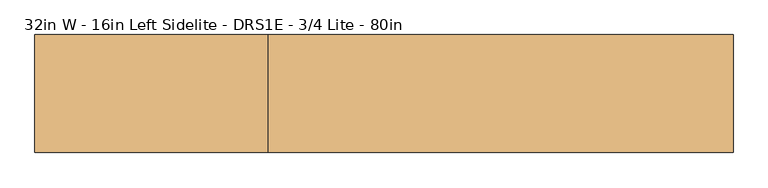
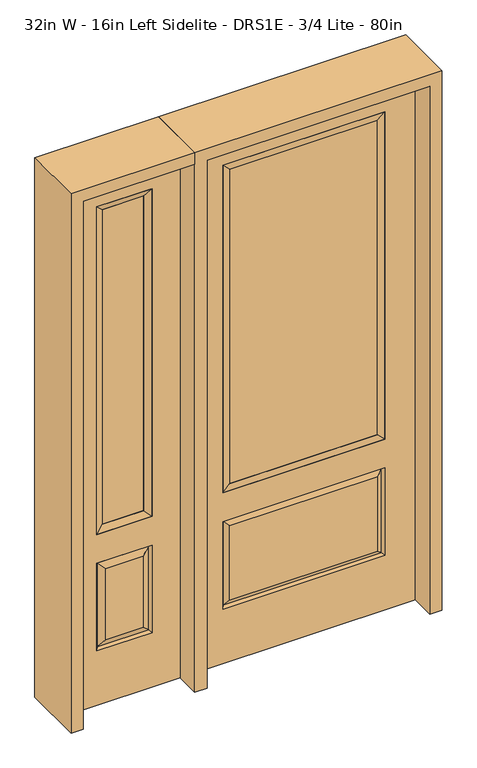
"""IFC4 building model written with IfcOpenShell, lengths in millimetres: door geometry, 32in W - 16in Left Sidelite - DRS1E - 3/4 Lite - 80in."""

from ifc_helpers import new_model, si_unit, frame, origin, place, context, project, spatial, polyline, outline, extrude, faceted_brep, source, transform, mapped, element, save


def door_32in_w_16in_left_sidelite_drs1e_3_4_lite_80in_52a5605d(model_context):
    return source(origin(), model_context, "Body", "SolidModel", [
        faceted_brep([(-857.25, -22.225, 0.0), (-450.85, -22.225, 0.0), (-450.85, -22.225, 2032.0), (-857.25, -22.225, 2032.0), (-553.72, -22.225, 1919.224), (-553.72, -22.225, 657.098), (-754.38, -22.225, 657.098), (-754.38, -22.225, 1919.224), (-553.72, -22.225, 209.55), (-754.38, -22.225, 209.55), (-754.38, -22.225, 546.1), (-553.72, -22.225, 546.1), (-722.6648999, -22.225, 241.2651001), (-585.4351001, -22.225, 241.2651001), (-585.4351001, -22.225, 514.3848999), (-722.6648999, -22.225, 514.3848999), (-857.25, 22.225, 0.0), (-857.25, 22.225, 2032.0), (-450.85, 22.225, 2032.0), (-450.85, 22.225, 0.0), (-553.72, 22.225, 1919.224), (-754.38, 22.225, 1919.224), (-754.38, 22.225, 657.098), (-553.72, 22.225, 657.098), (-754.38, 22.225, 209.55), (-553.72, 22.225, 209.55), (-553.72, 22.225, 546.1), (-754.38, 22.225, 546.1), (-585.4351001, 22.225, 241.2651001), (-722.6648999, 22.225, 241.2651001), (-722.6648999, 22.225, 514.3848999), (-585.4351001, 22.225, 514.3848999), (-560.8288501, 12.7912373, 216.6588501), (-747.2711499, 12.7912373, 216.6588501), (-747.2711499, 12.7912373, 538.9911499), (-560.8288501, 12.7912373, 538.9911499), (-747.2711499, -12.7912373, 216.6588501), (-560.8288501, -12.7912373, 216.6588501), (-747.2711499, -12.7912373, 538.9911499), (-560.8288501, -12.7912373, 538.9911499)], [[[0, 1, 2, 3], [4, 5, 6, 7], [8, 9, 10, 11]], [[12, 13, 14, 15]], [[16, 17, 18, 19], [20, 21, 22, 23], [24, 25, 26, 27]], [[28, 29, 30, 31]], [[1, 0, 16, 19]], [[2, 1, 19, 18]], [[3, 2, 18, 17]], [[0, 3, 17, 16]], [[5, 4, 20, 23]], [[6, 5, 23, 22]], [[7, 6, 22, 21]], [[4, 7, 21, 20]], [[32, 33, 29, 28]], [[33, 32, 25, 24]], [[29, 33, 34, 30]], [[33, 24, 27, 34]], [[30, 34, 35, 31]], [[34, 27, 26, 35]], [[32, 28, 31, 35]], [[25, 32, 35, 26]], [[12, 36, 37, 13]], [[37, 36, 9, 8]], [[36, 12, 15, 38]], [[9, 36, 38, 10]], [[38, 15, 14, 39]], [[10, 38, 39, 11]], [[13, 37, 39, 14]], [[37, 8, 11, 39]]]),
        faceted_brep([(-754.38, 22.225, 1919.224), (-754.38, -22.225, 1919.224), (-553.72, -22.225, 1919.224), (-553.72, 22.225, 1919.224), (-728.98, 12.7, 1893.824), (-579.12, 12.7, 1893.824), (-728.98, -12.7, 1893.824), (-579.12, -12.7, 1893.824), (-553.72, -22.225, 657.098), (-553.72, 22.225, 657.098), (-579.12, 12.7, 682.498), (-579.12, -12.7, 682.498), (-754.38, -22.225, 657.098), (-754.38, 22.225, 657.098), (-728.98, 12.7, 682.498), (-728.98, -12.7, 682.498)], [[[0, 1, 2, 3]], [[4, 0, 3, 5]], [[6, 4, 5, 7]], [[1, 6, 7, 2]], [[3, 2, 8, 9]], [[5, 3, 9, 10]], [[7, 5, 10, 11]], [[2, 7, 11, 8]], [[9, 8, 12, 13]], [[10, 9, 13, 14]], [[11, 10, 14, 15]], [[8, 11, 15, 12]], [[13, 12, 1, 0]], [[14, 13, 0, 4]], [[15, 14, 4, 6]], [[12, 15, 6, 1]]]),
        extrude(outline(polyline([(-579.12, -12.7), (-728.98, -12.7), (-728.98, 12.7), (-579.12, 12.7), (-579.12, -12.7)])), frame((0.0, 0.0, 682.498), z_axis=(0.0, 0.0, 1.0), x_axis=(1.0, 0.0, 0.0)), (0.0, 0.0, 1.0), 1211.326),
        faceted_brep([(-288.1661499, -12.7912373, 216.6588501), (288.1661499, -12.7912373, 216.6588501), (270.66875, -22.225, 234.15625), (-270.66875, -22.225, 234.15625), (-295.275, -22.225, 209.55), (295.275, -22.225, 209.55), (-288.1661499, -12.7912373, 538.9911499), (-295.275, -22.225, 546.1), (270.66875, -22.225, 521.49375), (-270.66875, -22.225, 521.49375), (406.4, -22.225, 2032.0), (-406.4, -22.225, 2032.0), (-406.4, -22.225, 0.0), (406.4, -22.225, 0.0), (295.275, -22.225, 546.1), (295.275, -22.225, 1917.7), (295.275, -22.225, 657.098), (-295.275, -22.225, 657.098), (-295.275, -22.225, 1917.7), (288.1661499, -12.7912373, 538.9911499), (-406.4, 22.225, 2032.0), (-406.4, 22.225, 0.0), (406.4, 22.225, 0.0), (406.4, 22.225, 2032.0), (295.275, 22.225, 1917.7), (295.275, 22.225, 657.098), (-295.275, 22.225, 657.098), (-295.275, 22.225, 1917.7), (-295.275, 22.225, 209.55), (295.275, 22.225, 209.55), (295.275, 22.225, 546.1), (-295.275, 22.225, 546.1), (270.66875, 22.225, 234.15625), (-270.66875, 22.225, 234.15625), (-270.66875, 22.225, 521.49375), (270.66875, 22.225, 521.49375), (-288.1661499, 12.7912373, 216.6588501), (288.1661499, 12.7912373, 216.6588501), (288.1661499, 12.7912373, 538.9911499), (-288.1661499, 12.7912373, 538.9911499)], [[[0, 1, 2, 3]], [[1, 0, 4, 5]], [[4, 0, 6, 7]], [[3, 2, 8, 9]], [[10, 11, 12, 13], [5, 4, 7, 14], [15, 16, 17, 18]], [[1, 5, 14, 19]], [[2, 1, 19, 8]], [[0, 3, 9, 6]], [[7, 6, 19, 14]], [[6, 9, 8, 19]], [[12, 11, 20, 21]], [[13, 12, 21, 22]], [[10, 13, 22, 23]], [[16, 15, 24, 25]], [[17, 16, 25, 26]], [[18, 17, 26, 27]], [[23, 22, 21, 20], [28, 29, 30, 31], [24, 27, 26, 25]], [[32, 33, 34, 35]], [[28, 36, 37, 29]], [[29, 37, 38, 30]], [[39, 31, 30, 38]], [[36, 28, 31, 39]], [[37, 36, 33, 32]], [[33, 36, 39, 34]], [[34, 39, 38, 35]], [[37, 32, 35, 38]], [[11, 10, 23, 20]], [[15, 18, 27, 24]]]),
        faceted_brep([(-295.275, -22.225, 1917.7), (-295.275, 22.225, 1917.7), (-295.275, 22.225, 657.098), (-295.275, -22.225, 657.098), (295.275, 22.225, 657.098), (295.275, -22.225, 657.098), (-269.875, 5.08, 682.498), (269.875, 5.08, 682.498), (295.275, 22.225, 1917.7), (295.275, -22.225, 1917.7), (-269.875, -20.32, 682.498), (269.875, -20.32, 682.498), (-269.875, -20.32, 1892.3), (269.875, -20.32, 1892.3), (-269.875, 5.08, 1892.3), (269.875, 5.08, 1892.3)], [[[0, 1, 2, 3]], [[3, 2, 4, 5]], [[2, 6, 7, 4]], [[5, 4, 8, 9]], [[10, 3, 5, 11]], [[12, 0, 3, 10]], [[11, 5, 9, 13]], [[6, 10, 11, 7]], [[14, 12, 10, 6]], [[7, 11, 13, 15]], [[1, 14, 6, 2]], [[4, 7, 15, 8]], [[9, 8, 1, 0]], [[13, 9, 0, 12]], [[15, 13, 12, 14]], [[8, 15, 14, 1]]]),
        extrude(outline(polyline([(269.875, -20.32), (-269.875, -20.32), (-269.875, 5.08), (269.875, 5.08), (269.875, -20.32)])), frame((0.0, 0.0, 682.498), z_axis=(0.0, 0.0, 1.0), x_axis=(1.0, 0.0, 0.0)), (0.0, 0.0, 1.0), 1209.802),
        extrude(outline(polyline([(2032.0, -450.85), (2076.45, -450.85), (2076.45, -901.7), (0.0, -901.7), (0.0, -857.25), (2032.0, -857.25), (2032.0, -450.85)])), frame((0.0, -114.3, 0.0), z_axis=(0.0, 1.0, 0.0), x_axis=(0.0, 0.0, 1.0)), (0.0, 0.0, 1.0), 228.6),
        extrude(outline(polyline([(2076.45, -450.85), (0.0, -450.85), (0.0, -406.4), (2032.0, -406.4), (2032.0, 406.4), (0.0, 406.4), (0.0, 450.85), (2076.45, 450.85), (2076.45, -450.85)])), frame((0.0, -114.3, 0.0), z_axis=(0.0, 1.0, 0.0), x_axis=(0.0, 0.0, 1.0)), (0.0, 0.0, 1.0), 228.6),
    ])


if __name__ == "__main__":
    model = new_model("IFC4")
    model_context = context("Model", 3, world=origin())
    ifc_project = project(units=[si_unit("LENGTHUNIT", "METRE", prefix="MILLI")], contexts=[model_context])
    site = spatial("IfcSite", under=ifc_project)
    building = spatial("IfcBuilding", under=site)
    placement = place(None, origin())
    door_32in_w_16in_left_sidelite_drs1e_3_4_lite_80in_shape = door_32in_w_16in_left_sidelite_drs1e_3_4_lite_80in_52a5605d(model_context)
    element("IfcDoor", 1, ObjectType="32in W - 16in Left Sidelite - DRS1E - 3/4 Lite - 80in", at=placement, inside=building, context=model_context, shape_type="MappedRepresentation", body=[
        mapped(door_32in_w_16in_left_sidelite_drs1e_3_4_lite_80in_shape, transform((0.0, 0.0, 0.0), x_axis=(1.0, 0.0, 0.0), y_axis=(0.0, 1.0, 0.0), z_axis=(0.0, 0.0, 1.0))),
    ])
    save(model, "model.ifc")
